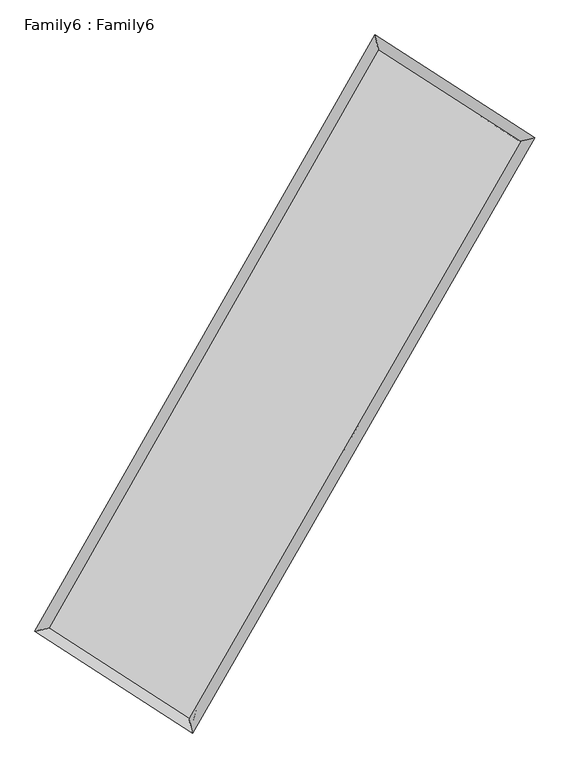
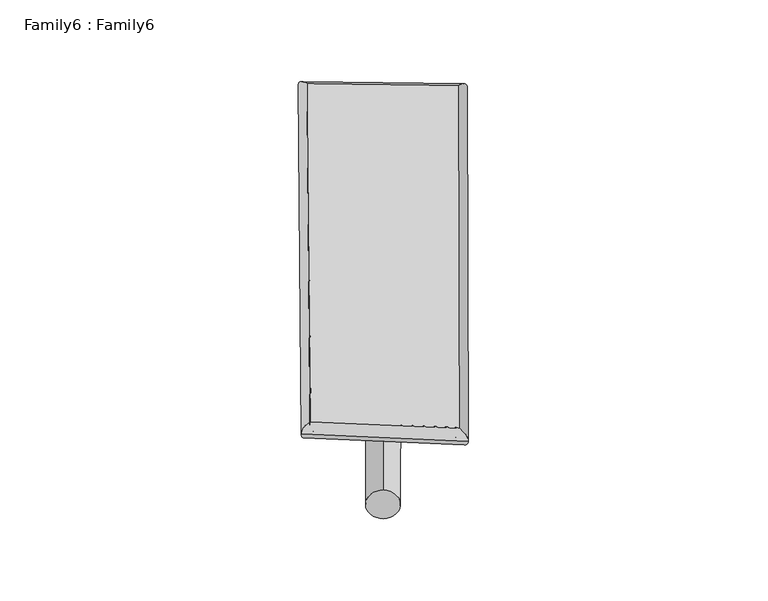
"""IFC4 building model written with IfcOpenShell, lengths in millimetres: plate geometry, Family6 : Family6."""

from ifc_helpers import new_model, si_unit, point, frame, origin, origin_2d, place, context, project, spatial, circle_curve, ellipse_curve, trimmed, segment, composite_curve, outline, extrude, source, transform, mapped, element, save
from ifc_brep_helpers import plane_surface, cylinder_surface, spline_surface, advanced_brep


def family6_family6_0998424c(model_context):
    return source(origin(), model_context, "Body", "SolidModel", [
        extrude(outline(composite_curve([segment(trimmed(circle_curve(origin_2d(), 76.2), [point((-75.4341514, -10.7763074))], [point((75.4341514, 10.7763074))], False, "CARTESIAN"), True, "CONTINUOUS"), segment(trimmed(circle_curve(origin_2d(), 76.2), [point((75.4341514, 10.7763074))], [point((-75.4341514, -10.7763074))], False, "CARTESIAN"), True, "CONTINUOUS")], self_intersect=False)), frame((9144.0, 9144.0, 0.0), z_axis=(0.6706599934625347, 0.686848444138124, 0.2800971045081896), x_axis=(-0.6795395012215754, 0.7203046720432971, -0.1392380900189708)), (0.0, 0.0, 1.0), 5519.9127115),
        extrude(outline(composite_curve([segment(trimmed(circle_curve(origin_2d(), 76.2), [point((-53.8815367, 53.8815368))], [point((53.8815367, -53.8815368))], False, "CARTESIAN"), True, "CONTINUOUS"), segment(trimmed(circle_curve(origin_2d(), 76.2), [point((53.8815367, -53.8815368))], [point((-53.8815367, 53.8815368))], False, "CARTESIAN"), True, "CONTINUOUS")], self_intersect=False)), frame((9144.0, 9144.0, 0.0), z_axis=(-0.6682081030389215, -0.6891138862328638, 0.28039255131719476), x_axis=(0.647402455377159, -0.35289924590131333, 0.6755236361622812)), (0.0, 0.0, 1.0), 5514.5096491),
        extrude(outline(composite_curve([segment(trimmed(circle_curve(origin_2d(), 76.2), [point((-53.8815368, -53.8815367))], [point((53.8815368, 53.8815367))], False, "CARTESIAN"), True, "CONTINUOUS"), segment(trimmed(circle_curve(origin_2d(), 76.2), [point((53.8815368, 53.8815367))], [point((-53.8815368, -53.8815367))], False, "CARTESIAN"), True, "CONTINUOUS")], self_intersect=False)), frame((9144.0, 9144.0, 0.0), z_axis=(0.2606654389446311, 0.9280335923737041, 0.2660961863044276), x_axis=(-0.8415294794733863, 0.35349654263521396, -0.40849520134537937)), (0.0, 0.0, 1.0), 5633.491304),
        extrude(outline(composite_curve([segment(trimmed(circle_curve(origin_2d(), 76.2), [point((-75.4341514, 10.7763073))], [point((75.4341514, -10.7763073))], False, "CARTESIAN"), True, "CONTINUOUS"), segment(trimmed(circle_curve(origin_2d(), 76.2), [point((75.4341514, -10.7763073))], [point((-75.4341514, 10.7763073))], False, "CARTESIAN"), True, "CONTINUOUS")], self_intersect=False)), frame((9144.0, 9144.0, 0.0), z_axis=(-0.263627840234548, -0.9271620619207027, 0.26621583872530724), x_axis=(0.8825660978060887, -0.12044722890646142, 0.4544992277794187)), (0.0, 0.0, 1.0), 5629.7801189),
        advanced_brep(
        [(5255.3560091, 5294.1348123, 1542.6695279), (5255.2945107, 5294.0410924, 1550.8355773), (5662.9639272, 5393.6148377, 1549.7853317), (10665.1120137, 14157.0083169, 1503.9921719), (10559.8009534, 14587.130028, 1494.1089313), (5663.0254256, 5393.7085577, 1541.6192823), (12641.5504307, 12885.656572, 1545.6362409), (13050.4188153, 12985.0303434, 1546.5868943), (7607.7133092, 4139.2442647, 1499.6526839), (7711.9531433, 3709.3186489, 1497.8205885)],
        [
            (0, 1, ellipse_curve(frame((5459.1599682, 5343.874825, 1546.2274298), z_axis=(-0.23724278913777766, 0.9714052775686024, 0.00936192896760945), x_axis=(-0.9712792689756542, -0.23737086001474822, 0.016482004549733986)), 209.9212814, 152.4)),
            (1, 2, ellipse_curve(frame((5459.1599682, 5343.874825, 1546.2274298), z_axis=(-0.23724278913777766, 0.9714052775686024, 0.00936192896760945), x_axis=(-0.9712792689756542, -0.23737086001474822, 0.016482004549733986)), 209.9212814, 152.4)),
            (2, 3),
            (3, 4, ellipse_curve(frame((10612.4564835, 14372.0691724, 1499.0505516), z_axis=(-0.971214891829972, -0.23801244060120672, -0.009576638593626183), x_axis=(0.23785270403563769, -0.9711801527514393, 0.015336299574092655)), 221.4742689, 152.4)),
            (4, 0),
            (2, 5, ellipse_curve(frame((5459.1599682, 5343.874825, 1546.2274298), z_axis=(-0.23724278913777766, 0.9714052775686024, 0.00936192896760945), x_axis=(-0.9712792689756542, -0.23737086001474822, 0.016482004549733986)), 209.9212814, 152.4)),
            (5, 0, ellipse_curve(frame((5459.1599682, 5343.874825, 1546.2274298), z_axis=(-0.23724278913777766, 0.9714052775686024, 0.00936192896760945), x_axis=(-0.9712792689756542, -0.23737086001474822, 0.016482004549733986)), 209.9212814, 152.4)),
            (4, 3, ellipse_curve(frame((10612.4564835, 14372.0691724, 1499.0505516), z_axis=(-0.971214891829972, -0.23801244060120672, -0.009576638593626183), x_axis=(0.23785270403563769, -0.9711801527514393, 0.015336299574092655)), 221.4742689, 152.4)),
            (3, 6),
            (6, 7, ellipse_curve(frame((12845.984623, 12935.3434577, 1546.1115676), z_axis=(-0.23614080406667012, 0.9716763753491177, -0.009085276173412761), x_axis=(-0.9715550260931722, -0.236262349578446, -0.016153434457352105)), 210.4045974, 152.4)),
            (7, 4),
            (7, 6, ellipse_curve(frame((12845.984623, 12935.3434577, 1546.1115676), z_axis=(-0.23614080406667012, 0.9716763753491177, -0.009085276173412761), x_axis=(-0.9715550260931722, -0.236262349578446, -0.016153434457352105)), 210.4045974, 152.4)),
            (6, 8),
            (8, 9, ellipse_curve(frame((7659.8332263, 3924.2814568, 1498.7366362), z_axis=(0.9717853321528954, 0.2356612116154512, -0.00985198215713162), x_axis=(-0.23549392461828045, 0.971749793857472, 0.015650865977339532)), 221.2091964, 152.4)),
            (9, 7),
            (9, 8, ellipse_curve(frame((7659.8332263, 3924.2814568, 1498.7366362), z_axis=(0.9717853321528954, 0.2356612116154512, -0.00985198215713162), x_axis=(-0.23549392461828045, 0.971749793857472, 0.015650865977339532)), 221.2091964, 152.4)),
            (8, 5),
            (1, 9),
        ],
        [
            cylinder_surface(frame((5459.1599682, 5343.874825, 1546.2274298), z_axis=(-0.49572248361427423, -0.8684691267223563, 0.0045381901021914126), x_axis=(-0.868208433134541, 0.4954292457571433, -0.027640171536615677)), 152.4),
            cylinder_surface(frame((10612.4564835, 14372.0691724, 1499.0505516), z_axis=(-0.8408946345475069, 0.5409087638003972, -0.017717867623992054), x_axis=(0.5411473996300286, 0.8408154463329954, -0.01374325585529371)), 152.4),
            cylinder_surface(frame((12845.984623, 12935.3434577, 1546.1115676), z_axis=(0.49881219922674164, 0.8666981177669013, 0.0045565954277421595), x_axis=(0.8667092403805121, -0.4988121992267416, -0.001217596656184332)), 152.4),
            cylinder_surface(frame((7659.8332263, 3924.2814568, 1498.7366362), z_axis=(0.8401925709906223, -0.541984957290174, -0.018131456735095235), x_axis=(-0.5418287523998196, -0.8403874000477223, 0.013062194068554172)), 152.4),
        ],
        [
            (0, [[1, 2, 3, 4, 5]]),
            (0, [[6, 7, -5, 8, -3]]),
            (1, [[-4, 9, 10, 11]]),
            (1, [[-8, -11, 12, -9]]),
            (2, [[-10, 13, 14, 15]]),
            (2, [[-12, -15, 16, -13]]),
            (3, [[-14, 17, -6, -2, 18]]),
            (3, [[-16, -18, -1, -7, -17]]),
        ],
    ),
        extrude(outline(composite_curve([segment(trimmed(circle_curve(origin_2d(), 304.8), [point((0.0, 304.8))], [point((0.0, -304.8))], False, "CARTESIAN"), True, "CONTINUOUS"), segment(trimmed(circle_curve(origin_2d(), 304.8), [point((0.0, -304.8))], [point((0.0, 304.8))], False, "CARTESIAN"), True, "CONTINUOUS")], self_intersect=False)), frame((11758.9007949, 13650.0746082, -0.0117873), z_axis=(-0.5019159274773516, -0.8649164131518323, 2.2625111439186252e-06), x_axis=(-0.8649164131545771, 0.5019159274773516, -6.089229368240356e-07)), (0.0, 0.0, 1.0), 10419.6764905),
        advanced_brep(
        [(5459.1599682, 5343.874825, 1546.2274298), (7659.8332263, 3924.2814568, 1498.7366362), (7659.8264819, 3924.2835188, 1651.136636), (5459.1532238, 5343.876887, 1698.6274296), (12845.984623, 12935.3434577, 1546.1115676), (12845.9778787, 12935.3455197, 1698.5115675), (10612.4564835, 14372.0691724, 1499.0505516), (10612.4497392, 14372.0712344, 1651.4505514)],
        [
            (0, 1),
            (1, 2),
            (2, 3),
            (3, 0),
            (1, 4),
            (4, 5),
            (5, 2),
            (4, 6),
            (6, 7),
            (7, 5),
            (6, 0),
            (3, 7),
        ],
        [
            plane_surface(frame((6559.4965972, 4634.0781409, 1522.482033), z_axis=(-0.5420742602255632, -0.8403305874723723, -1.261927920741604e-05), x_axis=(0.8401925709906222, -0.5419849572901739, -0.018131456735095246))),
            plane_surface(frame((10252.9089246, 8429.8124572, 1522.4241019), z_axis=(0.8667070119429797, -0.4988175552388598, 4.5104309819682734e-05), x_axis=(0.49881219922674125, 0.8666981177669014, 0.004556595427742151))),
            plane_surface(frame((11729.2205533, 13653.7063151, 1522.5810596), z_axis=(0.5409934983394709, 0.8410267740069972, 1.2562031688645448e-05), x_axis=(-0.8408946345475067, 0.5409087638003974, -0.01771786762399206))),
            plane_surface(frame((8035.8082259, 9857.9719987, 1522.6389907), z_axis=(-0.8684781706647825, 0.49572741001588144, -4.5140880988146954e-05), x_axis=(-0.495722483614274, -0.8684691267223563, 0.00453819010219141))),
            spline_surface(1, 1, [[(7659.8264819, 3924.2835188, 1651.136636), (5459.1532238, 5343.876887, 1698.6274296)], [(12845.9778787, 12935.3455197, 1698.5115675), (10612.4497392, 14372.0712344, 1651.4505514)]], [2, 2], [2, 2], [0.0, 1.0], [0.0, 1.0]),
            spline_surface(1, 1, [[(10612.4564835, 14372.0691724, 1499.0505516), (5459.1599682, 5343.874825, 1546.2274298)], [(12845.984623, 12935.3434577, 1546.1115676), (7659.8332263, 3924.2814568, 1498.7366362)]], [2, 2], [2, 2], [0.0, 1.0], [0.0, 1.0]),
        ],
        [
            (0, [[1, 2, 3, 4]]),
            (1, [[5, 6, 7, -2]]),
            (2, [[8, 9, 10, -6]]),
            (3, [[11, -4, 12, -9]]),
            (4, [[-3, -7, -10, -12]]),
            (5, [[-11, -8, -5, -1]]),
        ],
    ),
    ])


if __name__ == "__main__":
    model = new_model("IFC4")
    model_context = context("Model", 3, world=origin())
    ifc_project = project(units=[si_unit("LENGTHUNIT", "METRE", prefix="MILLI")], contexts=[model_context])
    site = spatial("IfcSite", under=ifc_project)
    building = spatial("IfcBuilding", under=site)
    placement = place(None, origin())
    family6_family6_shape = family6_family6_0998424c(model_context)
    element("IfcPlate", 1, ObjectType="Family6 : Family6", at=placement, inside=building, context=model_context, shape_type="MappedRepresentation", body=[
        mapped(family6_family6_shape, transform((0.0, 0.0, 0.0), x_axis=(1.0, 0.0, 0.0), y_axis=(0.0, 1.0, 0.0), z_axis=(0.0, 0.0, 1.0))),
    ])
    save(model, "model.ifc")
